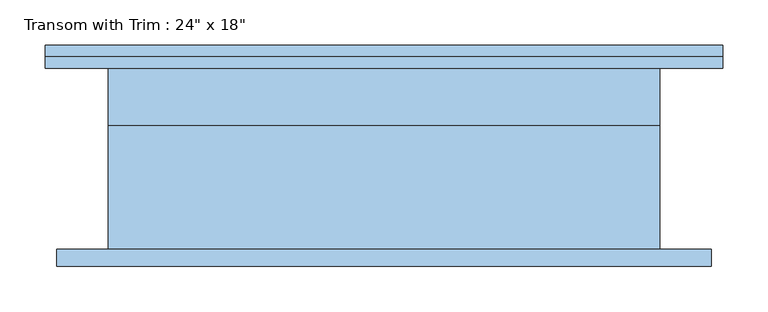
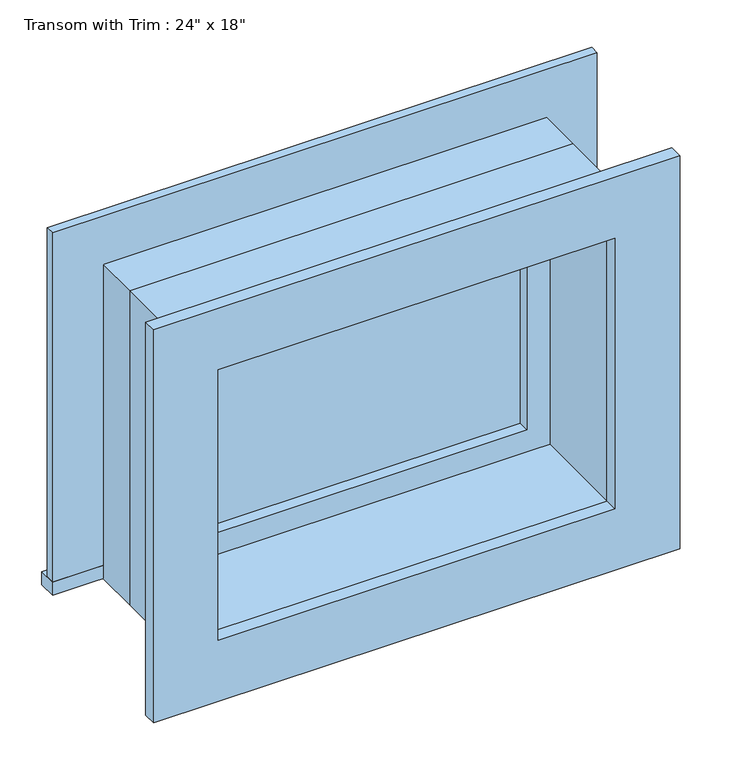
"""IFC4 building model written with IfcOpenShell, lengths in millimetres: window geometry."""

from ifc_helpers import new_model, si_unit, frame, origin, place, context, project, spatial, polyline, outline, extrude, source, transform, mapped, element, save


def window_372a270f(model_context):
    return source(origin(), model_context, "Body", "SweptSolid", [
        extrude(outline(polyline([(-412.75, 125.4), (336.55, 125.4), (336.55, 100.0), (-412.75, 100.0), (-412.75, 125.4)])), frame((0.0, 0.0, 2159.0), z_axis=(0.0, 0.0, 1.0), x_axis=(1.0, 0.0, 0.0)), (0.0, 0.0, 1.0), 19.05),
        extrude(outline(polyline([(2597.15, -323.85), (2597.15, 247.65), (2178.05, 247.65), (2178.05, 336.55), (2686.05, 336.55), (2686.05, -412.75), (2178.05, -412.75), (2178.05, -323.85), (2597.15, -323.85)])), frame((0.0, 100.0, 0.0), z_axis=(0.0, 1.0, 0.0), x_axis=(0.0, 0.0, 1.0)), (0.0, 0.0, 1.0), 12.7),
        extrude(outline(polyline([(2673.35, 323.85), (2673.35, -400.05), (2101.85, -400.05), (2101.85, 323.85), (2673.35, 323.85)]), holes=[polyline([(2584.45, 234.95), (2190.75, 234.95), (2190.75, -311.15), (2584.45, -311.15), (2584.45, 234.95)])]), frame((0.0, -119.05, 0.0), z_axis=(0.0, 1.0, 0.0), x_axis=(0.0, 0.0, 1.0)), (0.0, 0.0, 1.0), 19.05),
        extrude(outline(polyline([(203.2, 52.375), (-279.4, 52.375), (-279.4, 65.075), (203.2, 65.075), (203.2, 52.375)])), frame((0.0, 0.0, 2222.5), z_axis=(0.0, 0.0, 1.0), x_axis=(1.0, 0.0, 0.0)), (0.0, 0.0, 1.0), 330.2),
        extrude(outline(polyline([(2597.15, -323.85), (2178.05, -323.85), (2178.05, 247.65), (2597.15, 247.65), (2597.15, -323.85)]), holes=[polyline([(2552.7, -279.4), (2552.7, 203.2), (2222.5, 203.2), (2222.5, -279.4), (2552.7, -279.4)])]), frame((0.0, 36.5, 0.0), z_axis=(0.0, 1.0, 0.0), x_axis=(0.0, 0.0, 1.0)), (0.0, 0.0, 1.0), 44.45),
        extrude(outline(polyline([(2616.2, -342.9), (2159.0, -342.9), (2159.0, 266.7), (2616.2, 266.7), (2616.2, -342.9)]), holes=[polyline([(2584.45, -311.15), (2584.45, 234.95), (2190.75, 234.95), (2190.75, -311.15), (2584.45, -311.15)])]), frame((0.0, -100.0, 0.0), z_axis=(0.0, 1.0, 0.0), x_axis=(0.0, 0.0, 1.0)), (0.0, 0.0, 1.0), 136.5),
        extrude(outline(polyline([(2616.2, 266.7), (2616.2, -342.9), (2159.0, -342.9), (2159.0, 266.7), (2616.2, 266.7)]), holes=[polyline([(2597.15, 247.65), (2178.05, 247.65), (2178.05, -323.85), (2597.15, -323.85), (2597.15, 247.65)])]), frame((0.0, 36.5, 0.0), z_axis=(0.0, 1.0, 0.0), x_axis=(0.0, 0.0, 1.0)), (0.0, 0.0, 1.0), 63.5),
    ])


if __name__ == "__main__":
    model = new_model("IFC4")
    model_context = context("Model", 3, world=origin())
    ifc_project = project(units=[si_unit("LENGTHUNIT", "METRE", prefix="MILLI")], contexts=[model_context])
    site = spatial("IfcSite", under=ifc_project)
    building = spatial("IfcBuilding", under=site)
    placement = place(None, origin())
    window_shape = window_372a270f(model_context)
    element("IfcWindow", 1, ObjectType="Transom with Trim : 24\" x 18\"", at=placement, inside=building, context=model_context, shape_type="MappedRepresentation", body=[
        mapped(window_shape, transform((0.0, 0.0, 0.0), x_axis=(1.0, 0.0, 0.0), y_axis=(0.0, 1.0, 0.0), z_axis=(0.0, 0.0, 1.0))),
    ])
    save(model, "model.ifc")
